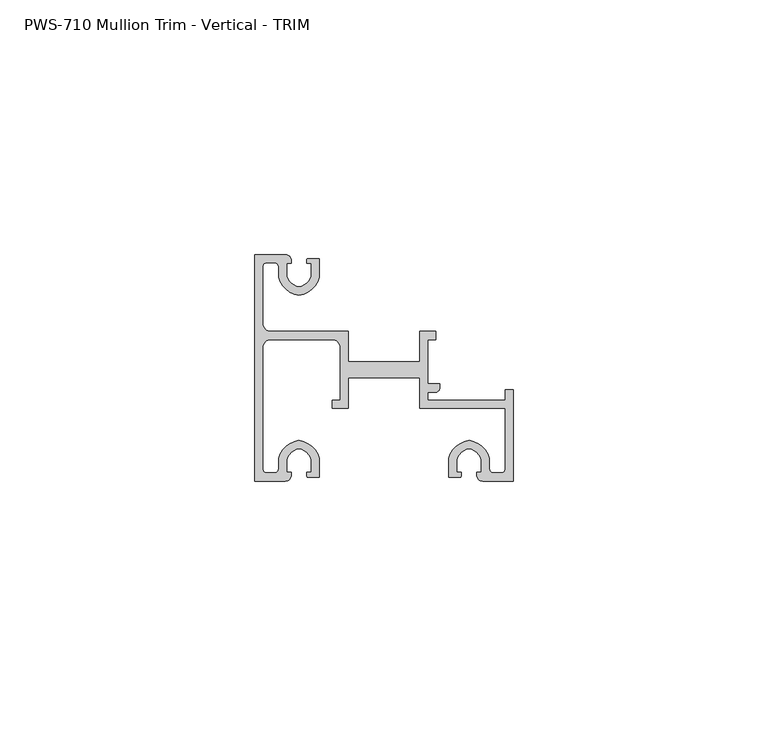
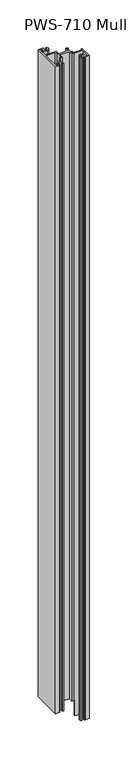
"""IFC4 building model written with IfcOpenShell, lengths in millimetres: proxy geometry, PWS-710 Mullion Trim - Vertical - TRIM."""

from ifc_helpers import new_model, si_unit, frame, origin, place, context, project, spatial, polyline, circle_curve, source, transform, mapped, element, save
from ifc_brep_helpers import plane_surface, cylinder_surface, revolved_surface, advanced_brep


def pws_710_mullion_trim_vertical_trim_ffd333a9(model_context):
    return source(origin(), model_context, "Body", "AdvancedBrep", [
        advanced_brep(
        [(1.5875, 30.95625, 1053.6039062), (1.5875, 42.06748, 1053.6039062), (2.38252, 42.8625, 1053.6039062), (3.90398, 42.8625, 1053.6039062), (4.699, 42.06748, 1053.6039062), (4.699, 40.0142401, 1053.6039062), (8.6995, 36.4914739, 1053.6039062), (12.7, 40.0142401, 1053.6039062), (12.7, 43.688, 1053.6039062), (10.3627194, 43.688, 1053.6039062), (10.2659469, 42.7502912, 1053.6039062), (11.1125, 42.7502912, 1053.6039062), (11.1125, 40.242076, 1053.6039062), (8.6995, 38.1, 1053.6039062), (6.2865, 40.242076, 1053.6039062), (6.2865, 42.7502912, 1053.6039062), (7.1755, 42.7502912, 1053.6039062), (7.1755, 43.5416341, 1053.6039062), (6.0569064, 44.45, 1053.6039062), (0.0, 44.45, 1053.6039062), (0.0, 0.0, 1053.6039062), (6.0569064, 0.0, 1053.6039062), (7.1755, 0.9083659, 1053.6039062), (7.1755, 1.6997088, 1053.6039062), (6.2865, 1.6997088, 1053.6039062), (6.2865, 4.207924, 1053.6039062), (8.6995, 6.35, 1053.6039062), (11.1125, 4.207924, 1053.6039062), (11.1125, 1.6997088, 1053.6039062), (10.2659469, 1.6997088, 1053.6039062), (10.3627194, 0.762, 1053.6039062), (12.7, 0.762, 1053.6039062), (12.7, 4.4357599, 1053.6039062), (8.6995, 7.9585261, 1053.6039062), (4.699, 4.4357599, 1053.6039062), (4.699, 2.38252, 1053.6039062), (3.90398, 1.5875, 1053.6039062), (2.38252, 1.5875, 1053.6039062), (1.5875, 2.38252, 1053.6039062), (1.5875, 26.19375, 1053.6039062), (3.175, 27.78125, 1053.6039062), (15.24, 27.78125, 1053.6039062), (16.8275, 26.19375, 1053.6039062), (16.8275, 15.8792752, 1053.6039062), (15.24, 15.8792752, 1053.6039062), (15.24, 14.2917752, 1053.6039062), (18.415, 14.2917752, 1053.6039062), (18.415, 20.2427626, 1053.6039062), (32.385, 20.2427626, 1053.6039062), (32.385, 14.2917752, 1053.6039062), (35.56, 14.2917752, 1053.6039062), (49.2125, 14.2917752, 1053.6039062), (49.2125, 2.38252, 1053.6039062), (48.41748, 1.5875, 1053.6039062), (46.89602, 1.5875, 1053.6039062), (46.101, 2.38252, 1053.6039062), (46.101, 4.4357599, 1053.6039062), (42.1005, 7.9585261, 1053.6039062), (38.1, 4.4357599, 1053.6039062), (38.1, 0.762, 1053.6039062), (40.4372806, 0.762, 1053.6039062), (40.5340531, 1.6997088, 1053.6039062), (39.6875, 1.6997088, 1053.6039062), (39.6875, 4.207924, 1053.6039062), (42.1005, 6.35, 1053.6039062), (44.5135, 4.207924, 1053.6039062), (44.5135, 1.6997088, 1053.6039062), (43.6245, 1.6997088, 1053.6039062), (43.6245, 0.9083659, 1053.6039062), (44.7430936, 0.0, 1053.6039062), (50.8, 0.0, 1053.6039062), (50.8, 17.907, 1053.6039062), (49.2125, 17.907, 1053.6039062), (49.2125, 15.875, 1053.6039062), (34.76625, 15.875, 1053.6039062), (33.9725, 15.875, 1053.6039062), (33.9725, 17.4625, 1053.6039062), (35.56, 17.4625, 1053.6039062), (36.35502, 18.25752, 1053.6039062), (36.35502, 19.05, 1053.6039062), (33.9725, 19.05, 1053.6039062), (33.9725, 27.78125, 1053.6039062), (35.56, 27.78125, 1053.6039062), (35.56, 29.36875, 1053.6039062), (32.385, 29.36875, 1053.6039062), (32.385, 23.4177626, 1053.6039062), (18.415, 23.4177626, 1053.6039062), (18.415, 29.36875, 1053.6039062), (3.175, 29.36875, 1053.6039062), (49.2125, 15.875, 0.0), (49.2125, 17.907, 0.0), (50.8, 17.907, 0.0), (50.8, 0.0, 0.0), (44.7430936, 0.0, 0.0), (43.6245, 0.9083659, 0.0), (43.6245, 1.6997088, 0.0), (44.5135, 1.6997088, 0.0), (44.5135, 4.207924, 0.0), (42.1005, 6.35, 0.0), (39.6875, 4.207924, 0.0), (39.6875, 1.6997088, 0.0), (40.5340531, 1.6997088, 0.0), (40.4372806, 0.762, 0.0), (38.1, 0.762, 0.0), (38.1, 4.4357599, 0.0), (42.1005, 7.9585261, 0.0), (46.101, 4.4357599, 0.0), (46.101, 2.38252, 0.0), (46.89602, 1.5875, 0.0), (48.41748, 1.5875, 0.0), (49.2125, 2.38252, 0.0), (49.2125, 14.2917752, 0.0), (37.1376502, 14.2917752, 0.0), (37.1376502, 15.875, 0.0), (1.5875, 30.95625, 25.4), (1.5875, 42.06748, 25.4), (2.38252, 42.8625, 25.4), (3.90398, 42.8625, 25.4), (4.699, 42.06748, 25.4), (4.699, 40.0142401, 25.4), (8.6995, 36.4914739, 25.4), (12.7, 40.0142401, 25.4), (12.7, 43.688, 25.4), (10.3627194, 43.688, 25.4), (10.2659469, 42.7502912, 25.4), (11.1125, 42.7502912, 25.4), (11.1125, 40.242076, 25.4), (8.6995, 38.1, 25.4), (6.2865, 40.242076, 25.4), (6.2865, 42.7502912, 25.4), (7.1755, 42.7502912, 25.4), (7.1755, 43.5416341, 25.4), (6.0569064, 44.45, 25.4), (0.0, 44.45, 25.4), (0.0, 0.0, 25.4), (6.0569064, 0.0, 25.4), (7.1755, 0.9083659, 25.4), (7.1755, 1.6997088, 25.4), (6.2865, 1.6997088, 25.4), (6.2865, 4.207924, 25.4), (8.6995, 6.35, 25.4), (11.1125, 4.207924, 25.4), (11.1125, 1.6997088, 25.4), (10.2659469, 1.6997088, 25.4), (10.3627194, 0.762, 25.4), (12.7, 0.762, 25.4), (12.7, 4.4357599, 25.4), (8.6995, 7.9585261, 25.4), (4.699, 4.4357599, 25.4), (4.699, 2.38252, 25.4), (3.90398, 1.5875, 25.4), (2.38252, 1.5875, 25.4), (1.5875, 2.38252, 25.4), (1.5875, 26.19375, 25.4), (3.175, 27.78125, 25.4), (15.24, 27.78125, 25.4), (16.8275, 26.19375, 25.4), (16.8275, 15.8792752, 25.4), (15.24, 15.8792752, 25.4), (15.24, 14.2917752, 25.4), (18.415, 14.2917752, 25.4), (18.415, 20.2427626, 25.4), (32.385, 20.2427626, 25.4), (32.385, 14.2917752, 25.4), (35.56, 14.2917752, 25.4), (37.1376502, 14.2917752, 25.4), (37.1376502, 15.875, 25.4), (34.76625, 15.875, 25.4), (33.9725, 15.875, 25.4), (33.9725, 17.4625, 25.4), (35.56, 17.4625, 25.4), (36.35502, 18.25752, 25.4), (36.35502, 19.05, 25.4), (33.9725, 19.05, 25.4), (33.9725, 27.78125, 25.4), (35.56, 27.78125, 25.4), (35.56, 29.36875, 25.4), (32.385, 29.36875, 25.4), (32.385, 23.4177626, 25.4), (18.415, 23.4177626, 25.4), (18.415, 29.36875, 25.4), (3.175, 29.36875, 25.4)],
        [
            (0, 1),
            (1, 2, circle_curve(frame((2.38252, 42.06748, 1053.6039062), z_axis=(0.0, 0.0, -1.0), x_axis=(-1.0, 1.8160836696718075e-12, 0.0)), 0.79502)),
            (2, 3),
            (3, 4, circle_curve(frame((3.90398, 42.06748, 1053.6039062), z_axis=(0.0, 0.0, -1.0), x_axis=(-1.8302718233411445e-12, 1.0, 0.0)), 0.79502)),
            (4, 5),
            (5, 6, circle_curve(frame((9.3305673, 41.2410159, 1053.6039062), z_axis=(0.0, 0.0, 1.0), x_axis=(0.0, -1.0, 0.0)), 4.7912832)),
            (6, 7, circle_curve(frame((8.0684327, 41.2410159, 1053.6039062), z_axis=(0.0, 0.0, 1.0), x_axis=(0.0, -1.0, 0.0)), 4.7912832)),
            (7, 8),
            (8, 9),
            (9, 10, circle_curve(frame((11.3244879, 43.1148966, 1053.6039062), z_axis=(0.0, 0.0, 1.0), x_axis=(0.0, -1.0, 0.0)), 1.1195742)),
            (10, 11),
            (11, 12),
            (12, 13, circle_curve(frame((8.0684327, 41.2410159, 1053.6039062), z_axis=(0.0, 0.0, -1.0), x_axis=(0.0, -1.0, 0.0)), 3.2037832)),
            (13, 14, circle_curve(frame((9.3305673, 41.2410159, 1053.6039062), z_axis=(0.0, 0.0, -1.0), x_axis=(0.0, -1.0, 0.0)), 3.2037832)),
            (14, 15),
            (15, 16),
            (16, 17),
            (17, 18, circle_curve(frame((6.0569064, 43.3070794, 1053.6039062), z_axis=(0.0, 0.0, 1.0), x_axis=(0.0, -1.0, 0.0)), 1.1429206)),
            (18, 19),
            (19, 20),
            (20, 21),
            (21, 22, circle_curve(frame((6.0569064, 1.1429206, 1053.6039062), z_axis=(0.0, 0.0, 1.0), x_axis=(0.0, 1.0, 0.0)), 1.1429206)),
            (22, 23),
            (23, 24),
            (24, 25),
            (25, 26, circle_curve(frame((9.3305673, 3.2089841, 1053.6039062), z_axis=(0.0, 0.0, -1.0), x_axis=(0.0, 1.0, 0.0)), 3.2037832)),
            (26, 27, circle_curve(frame((8.0684327, 3.2089841, 1053.6039062), z_axis=(0.0, 0.0, -1.0), x_axis=(0.0, 1.0, 0.0)), 3.2037832)),
            (27, 28),
            (28, 29),
            (29, 30, circle_curve(frame((11.3244879, 1.3351034, 1053.6039062), z_axis=(0.0, 0.0, 1.0), x_axis=(0.0, 1.0, 0.0)), 1.1195742)),
            (30, 31),
            (31, 32),
            (32, 33, circle_curve(frame((8.0684327, 3.2089841, 1053.6039062), z_axis=(0.0, 0.0, 1.0), x_axis=(0.0, 1.0, 0.0)), 4.7912832)),
            (33, 34, circle_curve(frame((9.3305673, 3.2089841, 1053.6039062), z_axis=(0.0, 0.0, 1.0), x_axis=(0.0, 1.0, 0.0)), 4.7912832)),
            (34, 35),
            (35, 36, circle_curve(frame((3.90398, 2.38252, 1053.6039062), z_axis=(0.0, 0.0, -1.0), x_axis=(1.0, -1.8160836696718075e-12, 0.0)), 0.79502)),
            (36, 37),
            (37, 38, circle_curve(frame((2.38252, 2.38252, 1053.6039062), z_axis=(0.0, 0.0, -1.0), x_axis=(1.8160836696718075e-12, -1.0, 0.0)), 0.79502)),
            (38, 39),
            (39, 40, circle_curve(frame((3.175, 26.19375, 1053.6039062), z_axis=(0.0, 0.0, -1.0), x_axis=(-1.0, 0.0, 0.0)), 1.5875)),
            (40, 41),
            (41, 42, circle_curve(frame((15.24, 26.19375, 1053.6039062), z_axis=(0.0, 0.0, -1.0), x_axis=(0.0, 1.0, 0.0)), 1.5875)),
            (42, 43),
            (43, 44),
            (44, 45),
            (45, 46),
            (46, 47),
            (47, 48),
            (48, 49),
            (49, 50),
            (50, 51),
            (51, 52),
            (52, 53, circle_curve(frame((48.41748, 2.38252, 1053.6039062), z_axis=(0.0, 0.0, -1.0), x_axis=(1.0, -1.8160836696718075e-12, 0.0)), 0.79502)),
            (53, 54),
            (54, 55, circle_curve(frame((46.89602, 2.38252, 1053.6039062), z_axis=(0.0, 0.0, -1.0), x_axis=(1.8160836696718075e-12, -1.0, 0.0)), 0.79502)),
            (55, 56),
            (56, 57, circle_curve(frame((41.4694327, 3.2089841, 1053.6039062), z_axis=(0.0, 0.0, 1.0), x_axis=(0.0, 1.0, 0.0)), 4.7912832)),
            (57, 58, circle_curve(frame((42.7315673, 3.2089841, 1053.6039062), z_axis=(0.0, 0.0, 1.0), x_axis=(0.0, 1.0, 0.0)), 4.7912832)),
            (58, 59),
            (59, 60),
            (60, 61, circle_curve(frame((39.4755121, 1.3351034, 1053.6039062), z_axis=(0.0, 0.0, 1.0), x_axis=(0.0, 1.0, 0.0)), 1.1195742)),
            (61, 62),
            (62, 63),
            (63, 64, circle_curve(frame((42.7315673, 3.2089841, 1053.6039062), z_axis=(0.0, 0.0, -1.0), x_axis=(0.0, 1.0, 0.0)), 3.2037832)),
            (64, 65, circle_curve(frame((41.4694327, 3.2089841, 1053.6039062), z_axis=(0.0, 0.0, -1.0), x_axis=(0.0, 1.0, 0.0)), 3.2037832)),
            (65, 66),
            (66, 67),
            (67, 68),
            (68, 69, circle_curve(frame((44.7430936, 1.1429206, 1053.6039062), z_axis=(0.0, 0.0, 1.0), x_axis=(0.0, 1.0, 0.0)), 1.1429206)),
            (69, 70),
            (70, 71),
            (71, 72),
            (72, 73),
            (73, 74),
            (74, 75),
            (75, 76),
            (76, 77),
            (77, 78, circle_curve(frame((35.56, 18.25752, 1053.6039062), z_axis=(0.0, 0.0, 1.0), x_axis=(-1.8160836696718075e-12, -1.0, 0.0)), 0.79502)),
            (78, 79),
            (79, 80),
            (80, 81),
            (81, 82),
            (82, 83),
            (83, 84),
            (84, 85),
            (85, 86),
            (86, 87),
            (87, 88),
            (88, 0, circle_curve(frame((3.175, 30.95625, 1053.6039062), z_axis=(0.0, 0.0, -1.0), x_axis=(0.0, -1.0, 0.0)), 1.5875)),
            (89, 90),
            (90, 91),
            (91, 92),
            (92, 93),
            (93, 94, circle_curve(frame((44.7430936, 1.1429206, 0.0), z_axis=(0.0, 0.0, -1.0), x_axis=(0.0, 1.0, 0.0)), 1.1429206)),
            (94, 95),
            (95, 96),
            (96, 97),
            (97, 98, circle_curve(frame((41.4694327, 3.2089841, 0.0), z_axis=(0.0, 0.0, 1.0), x_axis=(0.0, 1.0, 0.0)), 3.2037832)),
            (98, 99, circle_curve(frame((42.7315673, 3.2089841, 0.0), z_axis=(0.0, 0.0, 1.0), x_axis=(0.0, 1.0, 0.0)), 3.2037832)),
            (99, 100),
            (100, 101),
            (101, 102, circle_curve(frame((39.4755121, 1.3351034, 0.0), z_axis=(0.0, 0.0, -1.0), x_axis=(0.0, 1.0, 0.0)), 1.1195742)),
            (102, 103),
            (103, 104),
            (104, 105, circle_curve(frame((42.7315673, 3.2089841, 0.0), z_axis=(0.0, 0.0, -1.0), x_axis=(0.0, 1.0, 0.0)), 4.7912832)),
            (105, 106, circle_curve(frame((41.4694327, 3.2089841, 0.0), z_axis=(0.0, 0.0, -1.0), x_axis=(0.0, 1.0, 0.0)), 4.7912832)),
            (106, 107),
            (107, 108, circle_curve(frame((46.89602, 2.38252, 0.0), z_axis=(0.0, 0.0, 1.0), x_axis=(1.8160836696718075e-12, -1.0, 0.0)), 0.79502)),
            (108, 109),
            (109, 110, circle_curve(frame((48.41748, 2.38252, 0.0), z_axis=(0.0, 0.0, 1.0), x_axis=(1.0, -1.8160836696718075e-12, 0.0)), 0.79502)),
            (110, 111),
            (111, 112),
            (112, 113),
            (113, 89),
            (0, 114),
            (114, 115),
            (115, 1),
            (115, 116, circle_curve(frame((2.38252, 42.06748, 25.4), z_axis=(0.0, 0.0, -1.0), x_axis=(-1.0, 1.8160836696718075e-12, 0.0)), 0.79502)),
            (116, 2),
            (116, 117),
            (117, 3),
            (117, 118, circle_curve(frame((3.90398, 42.06748, 25.4), z_axis=(0.0, 0.0, -1.0), x_axis=(-1.8302718233411445e-12, 1.0, 0.0)), 0.79502)),
            (118, 4),
            (118, 119),
            (119, 5),
            (119, 120, circle_curve(frame((9.3305673, 41.2410159, 25.4), z_axis=(0.0, 0.0, 1.0), x_axis=(0.0, -1.0, 0.0)), 4.7912832)),
            (120, 6),
            (120, 121, circle_curve(frame((8.0684327, 41.2410159, 25.4), z_axis=(0.0, 0.0, 1.0), x_axis=(0.0, -1.0, 0.0)), 4.7912832)),
            (121, 7),
            (121, 122),
            (122, 8),
            (122, 123),
            (123, 9),
            (123, 124, circle_curve(frame((11.3244879, 43.1148966, 25.4), z_axis=(0.0, 0.0, 1.0), x_axis=(0.0, -1.0, 0.0)), 1.1195742)),
            (124, 10),
            (124, 125),
            (125, 11),
            (125, 126),
            (126, 12),
            (126, 127, circle_curve(frame((8.0684327, 41.2410159, 25.4), z_axis=(0.0, 0.0, -1.0), x_axis=(0.0, -1.0, 0.0)), 3.2037832)),
            (127, 13),
            (127, 128, circle_curve(frame((9.3305673, 41.2410159, 25.4), z_axis=(0.0, 0.0, -1.0), x_axis=(0.0, -1.0, 0.0)), 3.2037832)),
            (128, 14),
            (128, 129),
            (129, 15),
            (129, 130),
            (130, 16),
            (130, 131),
            (131, 17),
            (131, 132, circle_curve(frame((6.0569064, 43.3070794, 25.4), z_axis=(0.0, 0.0, 1.0), x_axis=(0.0, -1.0, 0.0)), 1.1429206)),
            (132, 18),
            (132, 133),
            (133, 19),
            (133, 134),
            (134, 20),
            (134, 135),
            (135, 21),
            (135, 136, circle_curve(frame((6.0569064, 1.1429206, 25.4), z_axis=(0.0, 0.0, 1.0), x_axis=(0.0, 1.0, 0.0)), 1.1429206)),
            (136, 22),
            (136, 137),
            (137, 23),
            (137, 138),
            (138, 24),
            (138, 139),
            (139, 25),
            (139, 140, circle_curve(frame((9.3305673, 3.2089841, 25.4), z_axis=(0.0, 0.0, -1.0), x_axis=(0.0, 1.0, 0.0)), 3.2037832)),
            (140, 26),
            (140, 141, circle_curve(frame((8.0684327, 3.2089841, 25.4), z_axis=(0.0, 0.0, -1.0), x_axis=(0.0, 1.0, 0.0)), 3.2037832)),
            (141, 27),
            (141, 142),
            (142, 28),
            (142, 143),
            (143, 29),
            (143, 144, circle_curve(frame((11.3244879, 1.3351034, 25.4), z_axis=(0.0, 0.0, 1.0), x_axis=(0.0, 1.0, 0.0)), 1.1195742)),
            (144, 30),
            (144, 145),
            (145, 31),
            (145, 146),
            (146, 32),
            (146, 147, circle_curve(frame((8.0684327, 3.2089841, 25.4), z_axis=(0.0, 0.0, 1.0), x_axis=(0.0, 1.0, 0.0)), 4.7912832)),
            (147, 33),
            (147, 148, circle_curve(frame((9.3305673, 3.2089841, 25.4), z_axis=(0.0, 0.0, 1.0), x_axis=(0.0, 1.0, 0.0)), 4.7912832)),
            (148, 34),
            (148, 149),
            (149, 35),
            (149, 150, circle_curve(frame((3.90398, 2.38252, 25.4), z_axis=(0.0, 0.0, -1.0), x_axis=(1.0, -1.8160836696718075e-12, 0.0)), 0.79502)),
            (150, 36),
            (150, 151),
            (151, 37),
            (151, 152, circle_curve(frame((2.38252, 2.38252, 25.4), z_axis=(0.0, 0.0, -1.0), x_axis=(1.8160836696718075e-12, -1.0, 0.0)), 0.79502)),
            (152, 38),
            (152, 153),
            (153, 39),
            (153, 154, circle_curve(frame((3.175, 26.19375, 25.4), z_axis=(0.0, 0.0, -1.0), x_axis=(-1.0, 0.0, 0.0)), 1.5875)),
            (154, 40),
            (154, 155),
            (155, 41),
            (155, 156, circle_curve(frame((15.24, 26.19375, 25.4), z_axis=(0.0, 0.0, -1.0), x_axis=(0.0, 1.0, 0.0)), 1.5875)),
            (156, 42),
            (156, 157),
            (157, 43),
            (157, 158),
            (158, 44),
            (158, 159),
            (159, 45),
            (159, 160),
            (160, 46),
            (160, 161),
            (161, 47),
            (161, 162),
            (162, 48),
            (162, 163),
            (163, 49),
            (163, 164),
            (164, 50),
            (164, 165),
            (165, 112),
            (111, 51),
            (110, 52),
            (109, 53),
            (108, 54),
            (107, 55),
            (106, 56),
            (105, 57),
            (104, 58),
            (103, 59),
            (102, 60),
            (101, 61),
            (100, 62),
            (99, 63),
            (98, 64),
            (97, 65),
            (96, 66),
            (95, 67),
            (94, 68),
            (93, 69),
            (92, 70),
            (91, 71),
            (90, 72),
            (89, 73),
            (113, 166),
            (166, 167),
            (167, 74),
            (167, 168),
            (168, 75),
            (168, 169),
            (169, 76),
            (169, 170),
            (170, 77),
            (170, 171, circle_curve(frame((35.56, 18.25752, 25.4), z_axis=(0.0, 0.0, 1.0), x_axis=(-1.8160836696718075e-12, -1.0, 0.0)), 0.79502)),
            (171, 78),
            (171, 172),
            (172, 79),
            (172, 173),
            (173, 80),
            (173, 174),
            (174, 81),
            (174, 175),
            (175, 82),
            (175, 176),
            (176, 83),
            (176, 177),
            (177, 84),
            (177, 178),
            (178, 85),
            (178, 179),
            (179, 86),
            (179, 180),
            (180, 87),
            (180, 181),
            (181, 88),
            (181, 114, circle_curve(frame((3.175, 30.95625, 25.4), z_axis=(0.0, 0.0, -1.0), x_axis=(0.0, -1.0, 0.0)), 1.5875)),
            (165, 166),
        ],
        [
            plane_surface(frame((1.5875, 30.95625, 1053.6039062), z_axis=(0.0, 0.0, 1.0), x_axis=(0.0, 1.0, 0.0))),
            plane_surface(frame((1.5875, 30.95625, 0.0), z_axis=(0.0, 0.0, -1.0), x_axis=(0.0, -1.0, 0.0))),
            plane_surface(frame((1.5875, 30.95625, 1053.6039062), z_axis=(1.0, 0.0, 0.0), x_axis=(0.0, 0.0, -1.0))),
            revolved_surface(polyline([(1.5875, 42.067480000001446, 25.4), (1.5875, 42.067480000001446, 1053.6039062)]), (2.38252, 42.06748, 0.0), (0.0, 0.0, -1.0)),
            plane_surface(frame((2.38252, 42.8625, 1053.6039062), z_axis=(0.0, -1.0, 0.0), x_axis=(0.0, 0.0, -1.0))),
            revolved_surface(polyline([(3.9039799999985445, 42.862500000000004, 25.4), (3.9039799999985445, 42.862500000000004, 1053.6039062)]), (3.90398, 42.06748, 0.0), (0.0, 0.0, -1.0)),
            plane_surface(frame((4.699, 42.06748, 1053.6039062), z_axis=(-1.0, 0.0, 0.0), x_axis=(0.0, 0.0, -1.0))),
            cylinder_surface(frame((9.3305673, 41.2410159, 0.0), z_axis=(0.0, 0.0, 1.0), x_axis=(0.0, -1.0, 0.0)), 4.7912832),
            cylinder_surface(frame((8.0684327, 41.2410159, 0.0), z_axis=(0.0, 0.0, 1.0), x_axis=(0.0, -1.0, 0.0)), 4.7912832),
            plane_surface(frame((12.7, 40.0142401, 1053.6039062), z_axis=(1.0, 0.0, 0.0), x_axis=(0.0, 0.0, -1.0))),
            plane_surface(frame((12.7, 43.688, 1053.6039062), z_axis=(0.0, 1.0, 0.0), x_axis=(0.0, 0.0, -1.0))),
            cylinder_surface(frame((11.3244879, 43.1148966, 0.0), z_axis=(0.0, 0.0, 1.0), x_axis=(0.0, -1.0, 0.0)), 1.1195742),
            plane_surface(frame((10.2659469, 42.7502912, 1053.6039062), z_axis=(0.0, -1.0, 0.0), x_axis=(0.0, 0.0, -1.0))),
            plane_surface(frame((11.1125, 42.7502912, 1053.6039062), z_axis=(-1.0, 0.0, 0.0), x_axis=(0.0, 0.0, -1.0))),
            revolved_surface(polyline([(8.0684327, 38.037232700000004, 25.4), (8.0684327, 38.037232700000004, 1053.6039062)]), (8.0684327, 41.2410159, 0.0), (0.0, 0.0, -1.0)),
            revolved_surface(polyline([(9.3305673, 38.037232700000004, 25.4), (9.3305673, 38.037232700000004, 1053.6039062)]), (9.3305673, 41.2410159, 0.0), (0.0, 0.0, -1.0)),
            plane_surface(frame((6.2865, 40.242076, 1053.6039062), z_axis=(1.0, 0.0, 0.0), x_axis=(0.0, 0.0, -1.0))),
            plane_surface(frame((6.2865, 42.7502912, 1053.6039062), z_axis=(0.0, -1.0, 0.0), x_axis=(0.0, 0.0, -1.0))),
            plane_surface(frame((7.1755, 42.7502912, 1053.6039062), z_axis=(1.0, 0.0, 0.0), x_axis=(0.0, 0.0, -1.0))),
            cylinder_surface(frame((6.0569064, 43.3070794, 0.0), z_axis=(0.0, 0.0, 1.0), x_axis=(0.0, -1.0, 0.0)), 1.1429206),
            plane_surface(frame((6.0569064, 44.45, 1053.6039062), z_axis=(0.0, 1.0, 0.0), x_axis=(0.0, 0.0, -1.0))),
            plane_surface(frame((0.0, 44.45, 1053.6039062), z_axis=(-1.0, 0.0, 0.0), x_axis=(0.0, 0.0, -1.0))),
            plane_surface(frame((0.0, 0.0, 1053.6039062), z_axis=(0.0, -1.0, 0.0), x_axis=(0.0, 0.0, -1.0))),
            cylinder_surface(frame((6.0569064, 1.1429206, 0.0), z_axis=(0.0, 0.0, 1.0), x_axis=(0.0, 1.0, 0.0)), 1.1429206),
            plane_surface(frame((7.1755, 0.9083659, 1053.6039062), z_axis=(1.0, 0.0, 0.0), x_axis=(0.0, 0.0, -1.0))),
            plane_surface(frame((7.1755, 1.6997088, 1053.6039062), z_axis=(0.0, 1.0, 0.0), x_axis=(0.0, 0.0, -1.0))),
            plane_surface(frame((6.2865, 1.6997088, 1053.6039062), z_axis=(1.0, 0.0, 0.0), x_axis=(0.0, 0.0, -1.0))),
            revolved_surface(polyline([(9.3305673, 6.4127673000000005, 25.4), (9.3305673, 6.4127673000000005, 1053.6039062)]), (9.3305673, 3.2089841, 0.0), (0.0, 0.0, -1.0)),
            revolved_surface(polyline([(8.0684327, 6.4127673000000005, 25.4), (8.0684327, 6.4127673000000005, 1053.6039062)]), (8.0684327, 3.2089841, 0.0), (0.0, 0.0, -1.0)),
            plane_surface(frame((11.1125, 4.207924, 1053.6039062), z_axis=(-1.0, 0.0, 0.0), x_axis=(0.0, 0.0, -1.0))),
            plane_surface(frame((11.1125, 1.6997088, 1053.6039062), z_axis=(0.0, 1.0, 0.0), x_axis=(0.0, 0.0, -1.0))),
            cylinder_surface(frame((11.3244879, 1.3351034, 0.0), z_axis=(0.0, 0.0, 1.0), x_axis=(0.0, 1.0, 0.0)), 1.1195742),
            plane_surface(frame((10.3627194, 0.762, 1053.6039062), z_axis=(0.0, -1.0, 0.0), x_axis=(0.0, 0.0, -1.0))),
            plane_surface(frame((12.7, 0.762, 1053.6039062), z_axis=(1.0, 0.0, 0.0), x_axis=(0.0, 0.0, -1.0))),
            cylinder_surface(frame((8.0684327, 3.2089841, 0.0), z_axis=(0.0, 0.0, 1.0), x_axis=(0.0, 1.0, 0.0)), 4.7912832),
            cylinder_surface(frame((9.3305673, 3.2089841, 0.0), z_axis=(0.0, 0.0, 1.0), x_axis=(0.0, 1.0, 0.0)), 4.7912832),
            plane_surface(frame((4.699, 4.4357599, 1053.6039062), z_axis=(-1.0, 0.0, 0.0), x_axis=(0.0, 0.0, -1.0))),
            revolved_surface(polyline([(4.699, 2.3825199999985562, 25.4), (4.699, 2.3825199999985562, 1053.6039062)]), (3.90398, 2.38252, 0.0), (0.0, 0.0, -1.0)),
            plane_surface(frame((3.90398, 1.5875, 1053.6039062), z_axis=(0.0, 1.0, 0.0), x_axis=(0.0, 0.0, -1.0))),
            revolved_surface(polyline([(2.3825200000014437, 1.5875, 25.4), (2.3825200000014437, 1.5875, 1053.6039062)]), (2.38252, 2.38252, 0.0), (0.0, 0.0, -1.0)),
            plane_surface(frame((1.5875, 2.38252, 1053.6039062), z_axis=(1.0, 0.0, 0.0), x_axis=(0.0, 0.0, -1.0))),
            revolved_surface(polyline([(1.5875, 26.19375, 25.4), (1.5875, 26.19375, 1053.6039062)]), (3.175, 26.19375, 0.0), (0.0, 0.0, -1.0)),
            plane_surface(frame((3.175, 27.78125, 1053.6039062), z_axis=(0.0, -1.0, 0.0), x_axis=(0.0, 0.0, -1.0))),
            revolved_surface(polyline([(15.24, 27.78125, 25.4), (15.24, 27.78125, 1053.6039062)]), (15.24, 26.19375, 0.0), (0.0, 0.0, -1.0)),
            plane_surface(frame((16.8275, 26.19375, 1053.6039062), z_axis=(-1.0, 0.0, 0.0), x_axis=(0.0, 0.0, -1.0))),
            plane_surface(frame((16.8275, 15.8792752, 1053.6039062), z_axis=(0.0, 1.0, 0.0), x_axis=(0.0, 0.0, -1.0))),
            plane_surface(frame((15.24, 15.8792752, 1053.6039062), z_axis=(-1.0, 0.0, 0.0), x_axis=(0.0, 0.0, -1.0))),
            plane_surface(frame((15.24, 14.2917752, 1053.6039062), z_axis=(0.0, -1.0, 0.0), x_axis=(0.0, 0.0, -1.0))),
            plane_surface(frame((18.415, 14.2917752, 1053.6039062), z_axis=(1.0, 0.0, 0.0), x_axis=(0.0, 0.0, -1.0))),
            plane_surface(frame((18.415, 20.2427626, 1053.6039062), z_axis=(0.0, -1.0, 0.0), x_axis=(0.0, 0.0, -1.0))),
            plane_surface(frame((32.385, 20.2427626, 1053.6039062), z_axis=(-1.0, 0.0, 0.0), x_axis=(0.0, 0.0, -1.0))),
            plane_surface(frame((32.385, 14.2917752, 1053.6039062), z_axis=(0.0, -1.0, 0.0), x_axis=(0.0, 0.0, -1.0))),
            plane_surface(frame((35.56, 14.2917752, 1053.6039062), z_axis=(0.0, -1.0, 0.0), x_axis=(0.0, 0.0, -1.0))),
            plane_surface(frame((49.2125, 14.2917752, 1053.6039062), z_axis=(-1.0, 0.0, 0.0), x_axis=(0.0, 0.0, -1.0))),
            revolved_surface(polyline([(49.2125, 2.3825199999985562, 0.0), (49.2125, 2.3825199999985562, 1053.6039062)]), (48.41748, 2.38252, 0.0), (0.0, 0.0, -1.0)),
            plane_surface(frame((48.41748, 1.5875, 1053.6039062), z_axis=(0.0, 1.0, 0.0), x_axis=(0.0, 0.0, -1.0))),
            revolved_surface(polyline([(46.89602000000144, 1.5875, 0.0), (46.89602000000144, 1.5875, 1053.6039062)]), (46.89602, 2.38252, 0.0), (0.0, 0.0, -1.0)),
            plane_surface(frame((46.101, 2.38252, 1053.6039062), z_axis=(1.0, 0.0, 0.0), x_axis=(0.0, 0.0, -1.0))),
            cylinder_surface(frame((41.4694327, 3.2089841, 0.0), z_axis=(0.0, 0.0, 1.0), x_axis=(0.0, 1.0, 0.0)), 4.7912832),
            cylinder_surface(frame((42.7315673, 3.2089841, 0.0), z_axis=(0.0, 0.0, 1.0), x_axis=(0.0, 1.0, 0.0)), 4.7912832),
            plane_surface(frame((38.1, 4.4357599, 1053.6039062), z_axis=(-1.0, 0.0, 0.0), x_axis=(0.0, 0.0, -1.0))),
            plane_surface(frame((38.1, 0.762, 1053.6039062), z_axis=(0.0, -1.0, 0.0), x_axis=(0.0, 0.0, -1.0))),
            cylinder_surface(frame((39.4755121, 1.3351034, 0.0), z_axis=(0.0, 0.0, 1.0), x_axis=(0.0, 1.0, 0.0)), 1.1195742),
            plane_surface(frame((40.5340531, 1.6997088, 1053.6039062), z_axis=(0.0, 1.0, 0.0), x_axis=(0.0, 0.0, -1.0))),
            plane_surface(frame((39.6875, 1.6997088, 1053.6039062), z_axis=(1.0, 0.0, 0.0), x_axis=(0.0, 0.0, -1.0))),
            revolved_surface(polyline([(42.7315673, 6.4127673000000005, 0.0), (42.7315673, 6.4127673000000005, 1053.6039062)]), (42.7315673, 3.2089841, 0.0), (0.0, 0.0, -1.0)),
            revolved_surface(polyline([(41.4694327, 6.4127673000000005, 0.0), (41.4694327, 6.4127673000000005, 1053.6039062)]), (41.4694327, 3.2089841, 0.0), (0.0, 0.0, -1.0)),
            plane_surface(frame((44.5135, 4.207924, 1053.6039062), z_axis=(-1.0, 0.0, 0.0), x_axis=(0.0, 0.0, -1.0))),
            plane_surface(frame((44.5135, 1.6997088, 1053.6039062), z_axis=(0.0, 1.0, 0.0), x_axis=(0.0, 0.0, -1.0))),
            plane_surface(frame((43.6245, 1.6997088, 1053.6039062), z_axis=(-1.0, 0.0, 0.0), x_axis=(0.0, 0.0, -1.0))),
            cylinder_surface(frame((44.7430936, 1.1429206, 0.0), z_axis=(0.0, 0.0, 1.0), x_axis=(0.0, 1.0, 0.0)), 1.1429206),
            plane_surface(frame((44.7430936, 0.0, 1053.6039062), z_axis=(0.0, -1.0, 0.0), x_axis=(0.0, 0.0, -1.0))),
            plane_surface(frame((50.8, 0.0, 1053.6039062), z_axis=(1.0, 0.0, 0.0), x_axis=(0.0, 0.0, -1.0))),
            plane_surface(frame((50.8, 17.907, 1053.6039062), z_axis=(0.0, 1.0, 0.0), x_axis=(0.0, 0.0, -1.0))),
            plane_surface(frame((49.2125, 17.907, 1053.6039062), z_axis=(-1.0, 0.0, 0.0), x_axis=(0.0, 0.0, -1.0))),
            plane_surface(frame((49.2125, 15.875, 1053.6039062), z_axis=(0.0, 1.0, 0.0), x_axis=(0.0, 0.0, -1.0))),
            plane_surface(frame((34.76625, 15.875, 1053.6039062), z_axis=(0.0, 1.0, 0.0), x_axis=(0.0, 0.0, -1.0))),
            plane_surface(frame((33.9725, 15.875, 1053.6039062), z_axis=(1.0, 0.0, 0.0), x_axis=(0.0, 0.0, -1.0))),
            plane_surface(frame((33.9725, 17.4625, 1053.6039062), z_axis=(0.0, -1.0, 0.0), x_axis=(0.0, 0.0, -1.0))),
            cylinder_surface(frame((35.56, 18.25752, 0.0), z_axis=(0.0, 0.0, 1.0), x_axis=(-1.8160836696718075e-12, -1.0, 0.0)), 0.79502),
            plane_surface(frame((36.35502, 18.25752, 1053.6039062), z_axis=(1.0, 0.0, 0.0), x_axis=(0.0, 0.0, -1.0))),
            plane_surface(frame((36.35502, 19.05, 1053.6039062), z_axis=(0.0, 1.0, 0.0), x_axis=(0.0, 0.0, -1.0))),
            plane_surface(frame((33.9725, 19.05, 1053.6039062), z_axis=(1.0, 0.0, 0.0), x_axis=(0.0, 0.0, -1.0))),
            plane_surface(frame((33.9725, 27.78125, 1053.6039062), z_axis=(0.0, -1.0, 0.0), x_axis=(0.0, 0.0, -1.0))),
            plane_surface(frame((35.56, 27.78125, 1053.6039062), z_axis=(1.0, 0.0, 0.0), x_axis=(0.0, 0.0, -1.0))),
            plane_surface(frame((35.56, 29.36875, 1053.6039062), z_axis=(0.0, 1.0, 0.0), x_axis=(0.0, 0.0, -1.0))),
            plane_surface(frame((32.385, 29.36875, 1053.6039062), z_axis=(-1.0, 0.0, 0.0), x_axis=(0.0, 0.0, -1.0))),
            plane_surface(frame((32.385, 23.4177626, 1053.6039062), z_axis=(0.0, 1.0, 0.0), x_axis=(0.0, 0.0, -1.0))),
            plane_surface(frame((18.415, 23.4177626, 1053.6039062), z_axis=(1.0, 0.0, 0.0), x_axis=(0.0, 0.0, -1.0))),
            plane_surface(frame((18.415, 29.36875, 1053.6039062), z_axis=(0.0, 1.0, 0.0), x_axis=(0.0, 0.0, -1.0))),
            revolved_surface(polyline([(3.175, 29.368750000000002, 25.4), (3.175, 29.368750000000002, 1053.6039062)]), (3.175, 30.95625, 0.0), (0.0, 0.0, -1.0)),
            plane_surface(frame((37.1376502, 0.0, 25.4), z_axis=(-1.0, 0.0, 0.0), x_axis=(0.0, -1.0, 0.0))),
            plane_surface(frame((37.1376502, 44.45, 25.4), z_axis=(0.0, 0.0, -1.0), x_axis=(-1.0, 0.0, 0.0))),
        ],
        [
            (0, [[1, 2, 3, 4, 5, 6, 7, 8, 9, 10, 11, 12, 13, 14, 15, 16, 17, 18, 19, 20, 21, 22, 23, 24, 25, 26, 27, 28, 29, 30, 31, 32, 33, 34, 35, 36, 37, 38, 39, 40, 41, 42, 43, 44, 45, 46, 47, 48, 49, 50, 51, 52, 53, 54, 55, 56, 57, 58, 59, 60, 61, 62, 63, 64, 65, 66, 67, 68, 69, 70, 71, 72, 73, 74, 75, 76, 77, 78, 79, 80, 81, 82, 83, 84, 85, 86, 87, 88, 89]]),
            (1, [[90, 91, 92, 93, 94, 95, 96, 97, 98, 99, 100, 101, 102, 103, 104, 105, 106, 107, 108, 109, 110, 111, 112, 113, 114]]),
            (2, [[-1, 115, 116, 117]]),
            (3, [[-2, -117, 118, 119]]),
            (4, [[-3, -119, 120, 121]]),
            (5, [[-4, -121, 122, 123]]),
            (6, [[-5, -123, 124, 125]]),
            (7, [[-6, -125, 126, 127]]),
            (8, [[-7, -127, 128, 129]]),
            (9, [[-8, -129, 130, 131]]),
            (10, [[-9, -131, 132, 133]]),
            (11, [[-10, -133, 134, 135]]),
            (12, [[-11, -135, 136, 137]]),
            (13, [[-12, -137, 138, 139]]),
            (14, [[-13, -139, 140, 141]]),
            (15, [[-14, -141, 142, 143]]),
            (16, [[-15, -143, 144, 145]]),
            (17, [[-16, -145, 146, 147]]),
            (18, [[-17, -147, 148, 149]]),
            (19, [[-18, -149, 150, 151]]),
            (20, [[-19, -151, 152, 153]]),
            (21, [[-20, -153, 154, 155]]),
            (22, [[-21, -155, 156, 157]]),
            (23, [[-22, -157, 158, 159]]),
            (24, [[-23, -159, 160, 161]]),
            (25, [[-24, -161, 162, 163]]),
            (26, [[-25, -163, 164, 165]]),
            (27, [[-26, -165, 166, 167]]),
            (28, [[-27, -167, 168, 169]]),
            (29, [[-28, -169, 170, 171]]),
            (30, [[-29, -171, 172, 173]]),
            (31, [[-30, -173, 174, 175]]),
            (32, [[-31, -175, 176, 177]]),
            (33, [[-32, -177, 178, 179]]),
            (34, [[-33, -179, 180, 181]]),
            (35, [[-34, -181, 182, 183]]),
            (36, [[-35, -183, 184, 185]]),
            (37, [[-36, -185, 186, 187]]),
            (38, [[-37, -187, 188, 189]]),
            (39, [[-38, -189, 190, 191]]),
            (40, [[-39, -191, 192, 193]]),
            (41, [[-40, -193, 194, 195]]),
            (42, [[-41, -195, 196, 197]]),
            (43, [[-42, -197, 198, 199]]),
            (44, [[-43, -199, 200, 201]]),
            (45, [[-44, -201, 202, 203]]),
            (46, [[-45, -203, 204, 205]]),
            (47, [[-46, -205, 206, 207]]),
            (48, [[-47, -207, 208, 209]]),
            (49, [[-48, -209, 210, 211]]),
            (50, [[-49, -211, 212, 213]]),
            (51, [[-50, -213, 214, 215]]),
            (52, [[-51, -215, 216, 217, -112, 218]]),
            (53, [[-52, -218, -111, 219]]),
            (54, [[-53, -219, -110, 220]]),
            (55, [[-54, -220, -109, 221]]),
            (56, [[-55, -221, -108, 222]]),
            (57, [[-56, -222, -107, 223]]),
            (58, [[-57, -223, -106, 224]]),
            (59, [[-58, -224, -105, 225]]),
            (60, [[-59, -225, -104, 226]]),
            (61, [[-60, -226, -103, 227]]),
            (62, [[-61, -227, -102, 228]]),
            (63, [[-62, -228, -101, 229]]),
            (64, [[-63, -229, -100, 230]]),
            (65, [[-64, -230, -99, 231]]),
            (66, [[-65, -231, -98, 232]]),
            (67, [[-66, -232, -97, 233]]),
            (68, [[-67, -233, -96, 234]]),
            (69, [[-68, -234, -95, 235]]),
            (70, [[-69, -235, -94, 236]]),
            (71, [[-70, -236, -93, 237]]),
            (72, [[-71, -237, -92, 238]]),
            (73, [[-72, -238, -91, 239]]),
            (74, [[-73, -239, -90, 240]]),
            (75, [[-74, -240, -114, 241, 242, 243]]),
            (76, [[-75, -243, 244, 245]]),
            (77, [[-76, -245, 246, 247]]),
            (78, [[-77, -247, 248, 249]]),
            (79, [[-78, -249, 250, 251]]),
            (80, [[-79, -251, 252, 253]]),
            (81, [[-80, -253, 254, 255]]),
            (82, [[-81, -255, 256, 257]]),
            (83, [[-82, -257, 258, 259]]),
            (84, [[-83, -259, 260, 261]]),
            (85, [[-84, -261, 262, 263]]),
            (86, [[-85, -263, 264, 265]]),
            (87, [[-86, -265, 266, 267]]),
            (88, [[-87, -267, 268, 269]]),
            (89, [[-88, -269, 270, 271]]),
            (90, [[-89, -271, 272, -115]]),
            (91, [[273, -241, -113, -217]]),
            (92, [[-273, -216, -214, -212, -210, -208, -206, -204, -202, -200, -198, -196, -194, -192, -190, -188, -186, -184, -182, -180, -178, -176, -174, -172, -170, -168, -166, -164, -162, -160, -158, -156, -154, -152, -150, -148, -146, -144, -142, -140, -138, -136, -134, -132, -130, -128, -126, -124, -122, -120, -118, -116, -272, -270, -268, -266, -264, -262, -260, -258, -256, -254, -252, -250, -248, -246, -244, -242]]),
        ],
    ),
    ])


if __name__ == "__main__":
    model = new_model("IFC4")
    model_context = context("Model", 3, world=origin())
    ifc_project = project(units=[si_unit("LENGTHUNIT", "METRE", prefix="MILLI")], contexts=[model_context])
    site = spatial("IfcSite", under=ifc_project)
    building = spatial("IfcBuilding", under=site)
    placement = place(None, origin())
    pws_710_mullion_trim_vertical_trim_shape = pws_710_mullion_trim_vertical_trim_ffd333a9(model_context)
    element("IfcBuildingElementProxy", 1, Name="PWS-710 Mullion Trim - Vertical - TRIM", ObjectType="PWS-710 Mullion Trim - Vertical - TRIM", at=placement, inside=building, context=model_context, shape_type="MappedRepresentation", body=[
        mapped(pws_710_mullion_trim_vertical_trim_shape, transform((0.0, 0.0, 0.0), x_axis=(1.0, 0.0, 0.0), y_axis=(0.0, 1.0, 0.0), z_axis=(0.0, 0.0, 1.0))),
    ])
    save(model, "model.ifc")
